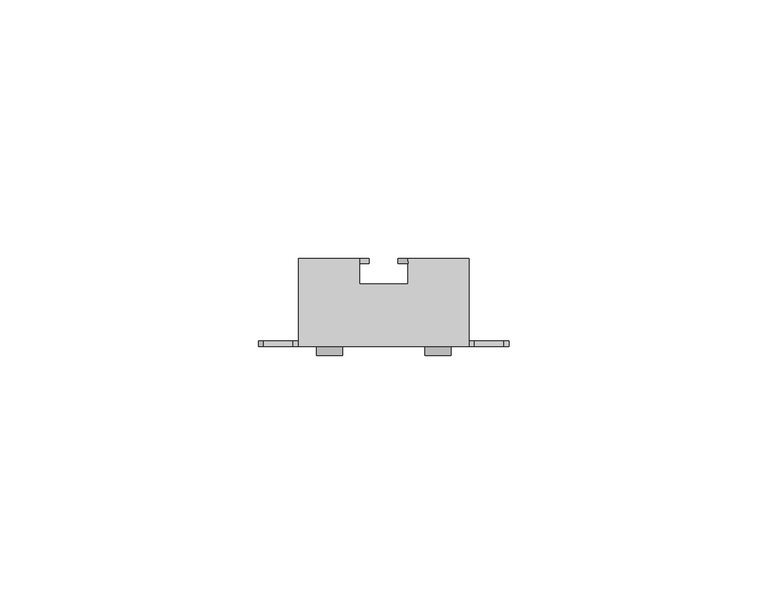
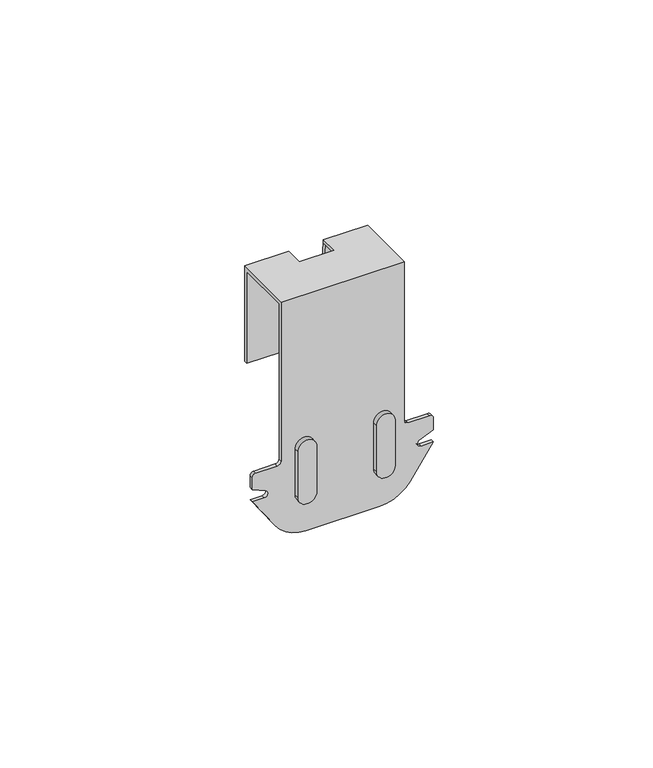
"""IFC4 building model written with IfcOpenShell, lengths in millimetres: proxy geometry."""

from ifc_helpers import new_model, si_unit, point, frame, frame_2d, origin, place, context, project, spatial, polyline, circle_curve, trimmed, segment, composite_curve, outline, extrude, source, transform, mapped, element, save
from ifc_brep_helpers import plane_surface, cylinder_surface, revolved_surface, advanced_brep


def generic_models_294e4308(model_context):
    return source(origin(), model_context, "Body", "SolidModel", [
        advanced_brep(
        [(-4.6514827, 12.026618, 67.0), (-4.6514827, 17.0, 67.0), (-16.5, 17.0, 67.0), (-16.5, 0.0, 67.0), (16.5, 0.0, 67.0), (16.5, 17.0, 67.0), (4.6514819, 17.0, 67.0), (4.6514819, 12.026618, 67.0), (-4.6514827, 12.026618, 66.0), (4.6514819, 12.026618, 66.0), (4.6514819, 16.0, 66.0), (16.5, 16.0, 66.0), (16.5, 1.0, 66.0), (-16.5, 1.0, 66.0), (-16.5, 16.0, 66.0), (-4.6514827, 16.0, 66.0), (-4.6514827, 17.0, 66.0), (-2.8568063, 17.0, 39.9928121), (-16.5, 17.0, 39.9928121), (16.5, 17.0, 39.9928121), (2.7101011, 17.0, 39.9928121), (4.579598, 17.0, 66.0), (-16.5, 16.0, 39.9928121), (-16.5, 1.0, 22.0), (-16.5, 0.0, 22.0), (-17.5, 0.0, 21.0), (-23.25, 0.0, 21.0), (-24.25, 0.0, 20.0), (-24.25, 0.0, 16.7), (-20.5773817, 0.0, 15.1063078), (-21.0, 0.0, 13.2), (-24.25, 0.0, 13.2), (-18.0743697, 0.0, 4.2993784), (-9.858354, 0.0, 0.0), (9.858354, 0.0, 0.0), (18.0743697, 0.0, 4.2993784), (24.25, 0.0, 13.2), (21.0, 0.0, 13.2), (20.5773817, 0.0, 15.1063078), (24.25, 0.0, 16.7), (24.25, 0.0, 20.0), (23.25, 0.0, 21.0), (17.5, 0.0, 21.0), (16.5, 0.0, 22.0), (16.5, 1.0, 22.0), (16.5, 16.0, 39.9928121), (-18.0743697, 1.0, 4.2993784), (-24.25, 1.0, 13.2), (-21.0, 1.0, 13.2), (-20.5773817, 1.0, 15.1063078), (-24.25, 1.0, 16.7), (-24.25, 1.0, 20.0), (-23.25, 1.0, 21.0), (-17.5, 1.0, 21.0), (17.5, 1.0, 21.0), (23.25, 1.0, 21.0), (24.25, 1.0, 20.0), (24.25, 1.0, 16.7), (20.5773817, 1.0, 15.1063078), (21.0, 1.0, 13.2), (24.25, 1.0, 13.2), (18.0743697, 1.0, 4.2993784), (9.858354, 1.0, 0.0), (-9.858354, 1.0, 0.0), (-2.8568063, 16.0, 39.9928121), (2.7101011, 16.0, 39.9928121)],
        [
            (0, 1),
            (1, 2),
            (2, 3),
            (3, 4),
            (4, 5),
            (5, 6),
            (6, 7),
            (7, 0),
            (8, 9),
            (9, 10),
            (10, 11),
            (11, 12),
            (12, 13),
            (13, 14),
            (14, 15),
            (15, 8),
            (0, 8),
            (15, 16),
            (16, 1),
            (16, 17),
            (17, 18),
            (18, 2),
            (19, 20),
            (20, 21),
            (21, 6),
            (5, 19),
            (18, 22),
            (22, 14),
            (13, 23),
            (23, 24),
            (24, 3),
            (24, 25, circle_curve(frame((-17.5, 0.0, 22.0), z_axis=(0.0, 1.0, 0.0), x_axis=(0.0, 0.0, -1.0)), 1.0)),
            (25, 26),
            (26, 27, circle_curve(frame((-23.25, 0.0, 20.0), z_axis=(0.0, -1.0, 0.0), x_axis=(0.0, 0.0, 1.0)), 1.0)),
            (27, 28),
            (28, 29),
            (29, 30, circle_curve(frame((-21.0, 0.0, 14.2), z_axis=(0.0, 1.0, 0.0), x_axis=(0.4226182617406406, 0.0, 0.9063077870366775)), 1.0)),
            (30, 31),
            (31, 32),
            (32, 33, circle_curve(frame((-9.858354, 0.0, 10.0), z_axis=(0.0, -1.0, 0.0), x_axis=(0.0, 0.0, -1.0)), 10.0)),
            (33, 34),
            (34, 35, circle_curve(frame((9.858354, 0.0, 10.0), z_axis=(0.0, -1.0, 0.0), x_axis=(0.8216015690288269, 0.0, -0.5700621560578899)), 10.0)),
            (35, 36),
            (36, 37),
            (37, 38, circle_curve(frame((21.0, 0.0, 14.2), z_axis=(0.0, 1.0, 0.0), x_axis=(-0.4226182617406444, 0.0, 0.9063077870366757)), 1.0)),
            (38, 39),
            (39, 40),
            (40, 41, circle_curve(frame((23.25, 0.0, 20.0), z_axis=(0.0, -1.0, 0.0), x_axis=(0.0, 0.0, 1.0)), 1.0)),
            (41, 42),
            (42, 43, circle_curve(frame((17.5, 0.0, 22.0), z_axis=(0.0, 1.0, 0.0), x_axis=(0.0, 0.0, -1.0)), 1.0)),
            (43, 4),
            (43, 44),
            (44, 12),
            (11, 45),
            (45, 19),
            (21, 10),
            (9, 7),
            (46, 47),
            (47, 48),
            (48, 49, circle_curve(frame((-21.0, 1.0, 14.2), z_axis=(0.0, -1.0, 0.0), x_axis=(0.4226182617406406, 0.0, 0.9063077870366775)), 1.0)),
            (49, 50),
            (50, 51),
            (51, 52, circle_curve(frame((-23.25, 1.0, 20.0), z_axis=(0.0, 1.0, 0.0), x_axis=(0.0, 0.0, 1.0)), 1.0)),
            (52, 53),
            (53, 23, circle_curve(frame((-17.5, 1.0, 22.0), z_axis=(0.0, -1.0, 0.0), x_axis=(0.0, 0.0, -1.0)), 1.0)),
            (44, 54, circle_curve(frame((17.5, 1.0, 22.0), z_axis=(0.0, -1.0, 0.0), x_axis=(0.0, 0.0, -1.0)), 1.0)),
            (54, 55),
            (55, 56, circle_curve(frame((23.25, 1.0, 20.0), z_axis=(0.0, 1.0, 0.0), x_axis=(0.0, 0.0, 1.0)), 1.0)),
            (56, 57),
            (57, 58),
            (58, 59, circle_curve(frame((21.0, 1.0, 14.2), z_axis=(0.0, -1.0, 0.0), x_axis=(-0.4226182617406444, 0.0, 0.9063077870366757)), 1.0)),
            (59, 60),
            (60, 61),
            (61, 62, circle_curve(frame((9.858354, 1.0, 10.0), z_axis=(0.0, 1.0, 0.0), x_axis=(0.8216015690288269, 0.0, -0.5700621560578899)), 10.0)),
            (62, 63),
            (63, 46, circle_curve(frame((-9.858354, 1.0, 10.0), z_axis=(0.0, 1.0, 0.0), x_axis=(0.0, 0.0, -1.0)), 10.0)),
            (63, 33),
            (32, 46),
            (62, 34),
            (61, 35),
            (60, 36),
            (59, 37),
            (58, 38),
            (57, 39),
            (56, 40),
            (55, 41),
            (54, 42),
            (53, 25),
            (52, 26),
            (51, 27),
            (50, 28),
            (49, 29),
            (48, 30),
            (47, 31),
            (22, 64),
            (64, 15),
            (10, 65),
            (65, 45),
            (64, 17),
            (65, 20),
        ],
        [
            plane_surface(frame((-4.6514827, 16.5202659, 67.0), z_axis=(0.0, 0.0, 1.0), x_axis=(0.0, 1.0, 0.0))),
            plane_surface(frame((-4.6514827, 16.5202659, 66.0), z_axis=(0.0, 0.0, -1.0), x_axis=(0.0, -1.0, 0.0))),
            plane_surface(frame((-4.6514827, 12.026618, 67.0), z_axis=(1.0, 0.0, 0.0), x_axis=(0.0, 0.0, -1.0))),
            plane_surface(frame((-4.6514827, 17.0, 67.0), z_axis=(0.0, 1.0, 0.0), x_axis=(0.0, 0.0, -1.0))),
            plane_surface(frame((-16.5, 17.0, 67.0), z_axis=(-1.0, 0.0, 0.0), x_axis=(0.0, 0.0, -1.0))),
            plane_surface(frame((-16.5, 0.0, 67.0), z_axis=(0.0, -1.0, 0.0), x_axis=(0.0, 0.0, -1.0))),
            plane_surface(frame((16.5, 0.0, 67.0), z_axis=(1.0, 0.0, 0.0), x_axis=(0.0, 0.0, -1.0))),
            plane_surface(frame((4.6514819, 17.0, 67.0), z_axis=(-1.0, 0.0, 0.0), x_axis=(0.0, 0.0, -1.0))),
            plane_surface(frame((4.6514819, 12.026618, 67.0), z_axis=(0.0, 1.0, 0.0), x_axis=(0.0, 0.0, -1.0))),
            plane_surface(frame((-24.25, 1.0, 13.2), z_axis=(0.0, 1.0, 0.0), x_axis=(-0.5700621560579057, 0.0, 0.8216015690288158))),
            cylinder_surface(frame((-9.858354, 0.0, 10.0), z_axis=(0.0, 1.0, 0.0), x_axis=(0.0, 0.0, -1.0)), 10.0),
            plane_surface(frame((9.858354, 1.0, 0.0), z_axis=(0.0, 0.0, -1.0), x_axis=(0.0, -1.0, 0.0))),
            cylinder_surface(frame((9.858354, 0.0, 10.0), z_axis=(0.0, 1.0000000000000002, 0.0), x_axis=(0.8216015690288269, 0.0, -0.5700621560578899)), 10.0),
            plane_surface(frame((24.25, 1.0, 13.2), z_axis=(0.8216015690288294, 0.0, -0.5700621560578861), x_axis=(0.0, -1.0, 0.0))),
            plane_surface(frame((21.0, 1.0, 13.2), z_axis=(0.0, 0.0, 1.0), x_axis=(0.0, -1.0, 0.0))),
            revolved_surface(polyline([(20.577381738259355, 0.0, 15.106307787036675), (20.577381738259355, 1.0, 15.106307787036675)]), (21.0, 0.0, 14.2), (0.0, -1.0, 0.0)),
            plane_surface(frame((24.25, 1.0, 16.7), z_axis=(0.39807514123356075, 0.0, -0.917352812134939), x_axis=(0.0, -1.0, 0.0))),
            plane_surface(frame((24.25, 1.0, 20.0), z_axis=(1.0, 0.0, 0.0), x_axis=(0.0, -1.0, 0.0))),
            cylinder_surface(frame((23.25, 0.0, 20.0), z_axis=(0.0, 1.0, 0.0), x_axis=(0.0, 0.0, 1.0)), 1.0),
            plane_surface(frame((17.5, 1.0, 21.0), z_axis=(0.0, 0.0, 1.0), x_axis=(0.0, -1.0, 0.0))),
            revolved_surface(polyline([(17.5, 0.0, 21.0), (17.5, 1.0, 21.0)]), (17.5, 0.0, 22.0), (0.0, -1.0, 0.0)),
            revolved_surface(polyline([(-17.5, 0.0, 21.0), (-17.5, 1.0, 21.0)]), (-17.5, 0.0, 22.0), (0.0, -1.0, 0.0)),
            plane_surface(frame((-23.25, 1.0, 21.0), z_axis=(0.0, 0.0, 1.0), x_axis=(0.0, -1.0, 0.0))),
            cylinder_surface(frame((-23.25, 0.0, 20.0), z_axis=(0.0, 1.0, 0.0), x_axis=(0.0, 0.0, 1.0)), 1.0),
            plane_surface(frame((-24.25, 1.0, 16.7), z_axis=(-1.0, 0.0, 0.0), x_axis=(0.0, -1.0, 0.0))),
            plane_surface(frame((-20.5773817, 1.0, 15.1063078), z_axis=(-0.39807514123355725, 0.0, -0.9173528121349405), x_axis=(0.0, -1.0, 0.0))),
            revolved_surface(polyline([(-20.57738173825936, 0.0, 15.106307787036677), (-20.57738173825936, 1.0, 15.106307787036677)]), (-21.0, 0.0, 14.2), (0.0, -1.0, 0.0)),
            plane_surface(frame((-24.25, 1.0, 13.2), z_axis=(0.0, 0.0, 1.0), x_axis=(0.0, -1.0, 0.0))),
            plane_surface(frame((-18.0743697, 1.0, 4.2993784), z_axis=(-0.8216015690288158, 0.0, -0.5700621560579057), x_axis=(0.0, -1.0, 0.0))),
            plane_surface(frame((-23.721883, 16.0, 66.0), z_axis=(0.0, -1.0, 0.0), x_axis=(-1.0, 0.0, 0.0))),
            plane_surface(frame((-2.8568063, 16.0, 39.9928121), z_axis=(0.9975300046167515, 0.0, 0.07024165352057075), x_axis=(0.0, 1.0, 0.0))),
            plane_surface(frame((-16.5, 16.0, 39.9928121), z_axis=(0.0, 0.0, -1.0), x_axis=(0.0, 1.0, 0.0))),
            plane_surface(frame((2.7101011, 16.0, 39.9928121), z_axis=(0.0, 0.0, -1.0), x_axis=(0.0, 1.0, 0.0))),
            plane_surface(frame((4.579598, 16.0, 66.0), z_axis=(-0.9974263255976004, 0.0, 0.07169884939711163), x_axis=(0.0, 1.0, 0.0))),
        ],
        [
            (0, [[1, 2, 3, 4, 5, 6, 7, 8]]),
            (1, [[9, 10, 11, 12, 13, 14, 15, 16]]),
            (2, [[-1, 17, -16, 18, 19]]),
            (3, [[-2, -19, 20, 21, 22]]),
            (3, [[23, 24, 25, -6, 26]]),
            (4, [[-3, -22, 27, 28, -14, 29, 30, 31]]),
            (5, [[-4, -31, 32, 33, 34, 35, 36, 37, 38, 39, 40, 41, 42, 43, 44, 45, 46, 47, 48, 49, 50, 51]]),
            (6, [[-26, -5, -51, 52, 53, -12, 54, 55]]),
            (7, [[-7, -25, 56, -10, 57]]),
            (8, [[-8, -57, -9, -17]]),
            (9, [[58, 59, 60, 61, 62, 63, 64, 65, -29, -13, -53, 66, 67, 68, 69, 70, 71, 72, 73, 74, 75, 76]]),
            (10, [[-76, 77, -40, 78]]),
            (11, [[-75, 79, -41, -77]]),
            (12, [[-74, 80, -42, -79]]),
            (13, [[-73, 81, -43, -80]]),
            (14, [[-72, 82, -44, -81]]),
            (15, [[-71, 83, -45, -82]]),
            (16, [[-70, 84, -46, -83]]),
            (17, [[-69, 85, -47, -84]]),
            (18, [[-68, 86, -48, -85]]),
            (19, [[-67, 87, -49, -86]]),
            (20, [[-66, -52, -50, -87]]),
            (21, [[-65, 88, -32, -30]]),
            (22, [[-64, 89, -33, -88]]),
            (23, [[-63, 90, -34, -89]]),
            (24, [[-62, 91, -35, -90]]),
            (25, [[-61, 92, -36, -91]]),
            (26, [[-60, 93, -37, -92]]),
            (27, [[-59, 94, -38, -93]]),
            (28, [[-58, -78, -39, -94]]),
            (29, [[-28, 95, 96, -15]]),
            (29, [[97, 98, -54, -11]]),
            (30, [[-20, -18, -96, 99]]),
            (31, [[-21, -99, -95, -27]]),
            (32, [[-23, -55, -98, 100]]),
            (33, [[-24, -100, -97, -56]]),
        ],
    ),
        extrude(outline(composite_curve([segment(polyline([(11.5, -8.0), (24.5, -8.0)]), True, "CONTINUOUS"), segment(trimmed(circle_curve(frame_2d((24.5, -10.5)), 2.5), [point((24.5, -8.0))], [point((24.5, -13.0))], False, "CARTESIAN"), True, "CONTINUOUS"), segment(polyline([(24.5, -13.0), (11.5, -13.0)]), True, "CONTINUOUS"), segment(trimmed(circle_curve(frame_2d((11.5, -10.5)), 2.5), [point((11.5, -13.0))], [point((11.5, -8.0))], False, "CARTESIAN"), True, "CONTINUOUS")], self_intersect=False)), frame((0.0, -1.8, 0.0), z_axis=(0.0, 1.0, 0.0), x_axis=(0.0, 0.0, 1.0)), (0.0, 0.0, 1.0), 1.8),
        extrude(outline(composite_curve([segment(polyline([(24.5, 8.0), (11.5, 8.0)]), True, "CONTINUOUS"), segment(trimmed(circle_curve(frame_2d((11.5, 10.5)), 2.5), [point((11.5, 8.0))], [point((11.5, 13.0))], False, "CARTESIAN"), True, "CONTINUOUS"), segment(polyline([(11.5, 13.0), (24.5, 13.0)]), True, "CONTINUOUS"), segment(trimmed(circle_curve(frame_2d((24.5, 10.5)), 2.5), [point((24.5, 13.0))], [point((24.5, 8.0))], False, "CARTESIAN"), True, "CONTINUOUS")], self_intersect=False)), frame((0.0, -1.8, 0.0), z_axis=(0.0, 1.0, 0.0), x_axis=(0.0, 0.0, 1.0)), (0.0, 0.0, 1.0), 1.8),
    ])


if __name__ == "__main__":
    model = new_model("IFC4")
    model_context = context("Model", 3, world=origin())
    ifc_project = project(units=[si_unit("LENGTHUNIT", "METRE", prefix="MILLI")], contexts=[model_context])
    site = spatial("IfcSite", under=ifc_project)
    building = spatial("IfcBuilding", under=site)
    placement = place(None, origin())
    generic_models_shape = generic_models_294e4308(model_context)
    element("IfcBuildingElementProxy", 1, Name="Generic Models", at=placement, inside=building, context=model_context, shape_type="MappedRepresentation", body=[
        mapped(generic_models_shape, transform((0.0, 0.0, 0.0), x_axis=(1.0, 0.0, 0.0), y_axis=(0.0, 1.0, 0.0), z_axis=(0.0, 0.0, 1.0))),
    ])
    save(model, "model.ifc")
